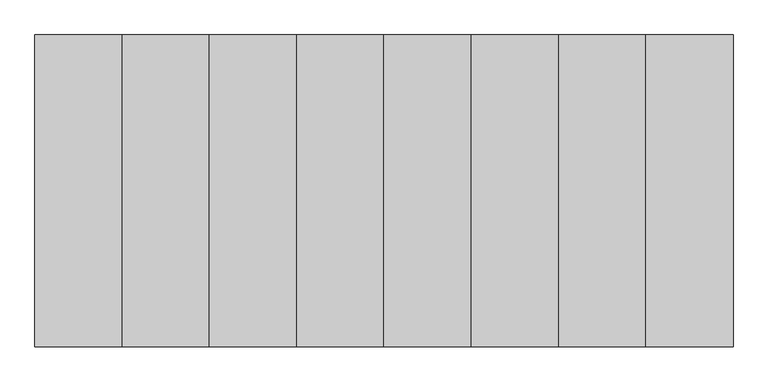
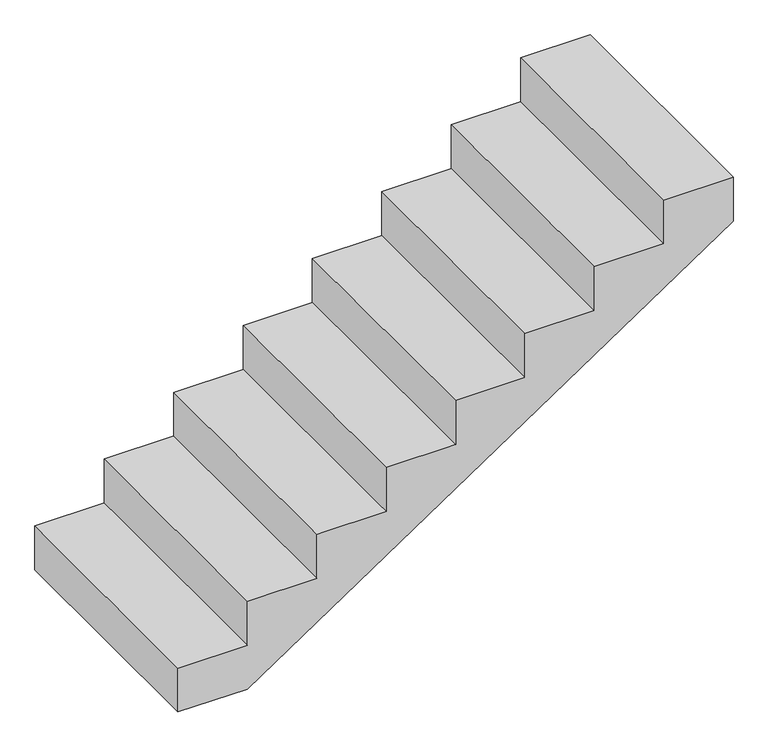
"""IFC4 building model written with IfcOpenShell, lengths in millimetres: stair geometry."""

from ifc_helpers import new_model, si_unit, frame, origin, place, context, project, spatial, polyline, outline, extrude, source, transform, mapped, element, save


def stair_29030050(model_context):
    return source(origin(), model_context, "Body", "SweptSolid", [
        extrude(outline(polyline([(3000.0, 5394.1127713), (2812.5, 5394.1127713), (2812.5, 5114.1127713), (2625.0, 5114.1127713), (2625.0, 4834.1127713), (2437.5, 4834.1127713), (2437.5, 4554.1127713), (2250.0, 4554.1127713), (2250.0, 4274.1127713), (2062.5, 4274.1127713), (2062.5, 3994.1127713), (1875.0, 3994.1127713), (1875.0, 3714.1127713), (1687.5, 3714.1127713), (1687.5, 3434.1127713), (1500.0, 3434.1127713), (1500.0, 3714.1127713), (2812.5, 5674.1127713), (3000.0, 5674.1127713), (3000.0, 5394.1127713)])), frame((0.0, 1200.0, 0.0), z_axis=(0.0, 1.0, 0.0), x_axis=(0.0, 0.0, 1.0)), (0.0, 0.0, 1.0), 1000.0),
    ])


if __name__ == "__main__":
    model = new_model("IFC4")
    model_context = context("Model", 3, world=origin())
    ifc_project = project(units=[si_unit("LENGTHUNIT", "METRE", prefix="MILLI")], contexts=[model_context])
    site = spatial("IfcSite", under=ifc_project)
    building = spatial("IfcBuilding", under=site)
    placement = place(None, origin())
    stair_shape = stair_29030050(model_context)
    element("IfcStair", 1, at=placement, inside=building, context=model_context, shape_type="MappedRepresentation", body=[
        mapped(stair_shape, transform((0.0, 0.0, 0.0), x_axis=(1.0, 0.0, 0.0), y_axis=(0.0, 1.0, 0.0), z_axis=(0.0, 0.0, 1.0))),
    ])
    save(model, "model.ifc")
